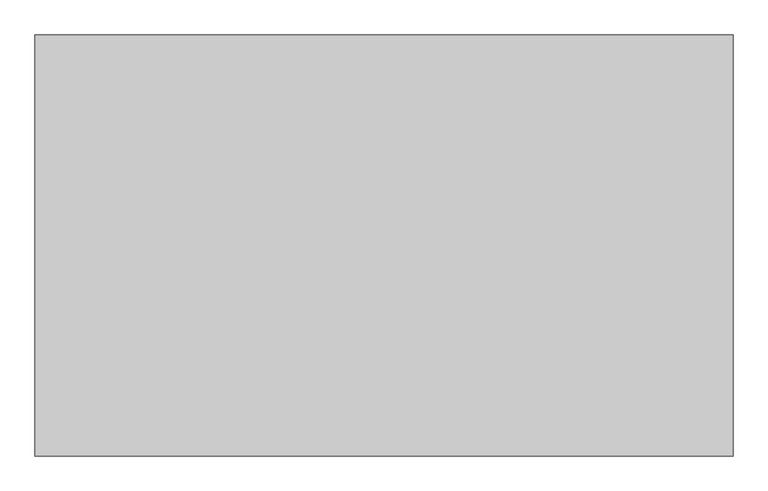
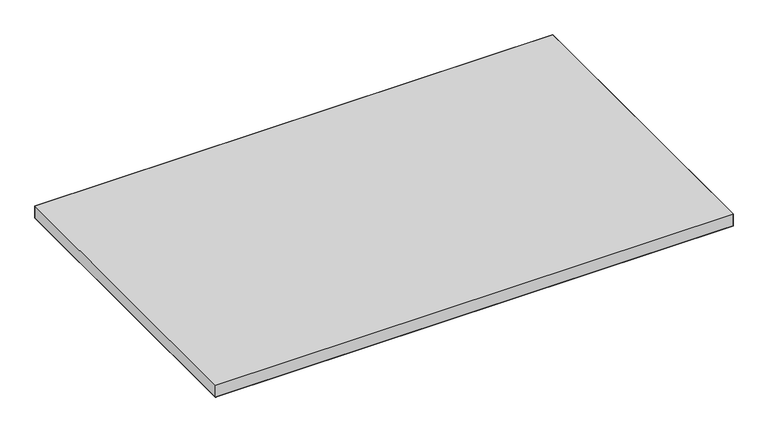
"""IFC4 building model written with IfcOpenShell, lengths in millimetres: furniture geometry."""

import ifcopenshell
import ifcopenshell.guid

model = None  # the IFC model being written
_history = None  # IfcOwnerHistory: only IFC2X3 demands one
_inside = {}  # id of a spatial element -> (the spatial element, [elements in it])
_under = {}  # id of a project, library or spatial element -> (it, [spatial elements below it])
_declared = {}  # id of a project -> (the project, [libraries it declares])
_typed = {}  # id of a type object -> (the type object, [elements of that type])
_made_of = {}  # id of a material, layer set ... -> (it, [elements and type objects made of it])


def new_model(schema):
    """Start an empty IFC model of exactly this schema.

    Asked for "IFC4X3", IfcOpenShell would pick the latest addendum, in which some entities
    have other attributes; the version numbers below select the first issue.
    IFC2X3 requires an IfcOwnerHistory on every rooted entity: one is made here for all.
    """
    global model, _history
    if schema == "IFC4X3":
        model = ifcopenshell.file(schema_version=(4, 3, 0, 0))
    else:
        model = ifcopenshell.file(schema=schema)
    _inside.clear()
    _under.clear()
    _declared.clear()
    _typed.clear()
    _made_of.clear()
    _history = None
    if model.schema == "IFC2X3":
        org = make("IfcOrganization", Name="unknown")
        user = make(
            "IfcPersonAndOrganization",
            ThePerson=make("IfcPerson", FamilyName="unknown"),
            TheOrganization=org,
        )
        app = make(
            "IfcApplication",
            ApplicationDeveloper=org,
            Version="unknown",
            ApplicationFullName="unknown",
            ApplicationIdentifier="unknown",
        )
        _history = make(
            "IfcOwnerHistory",
            OwningUser=user,
            OwningApplication=app,
            ChangeAction="ADDED",
            CreationDate=0,
        )
    return model


def make(cls, **values):
    """One entity of the class cls with the attributes given. An attribute that is None is left unset."""
    return model.create_entity(
        cls, **{name: value for name, value in values.items() if value is not None}
    )


def rooted(cls, **values):
    """An entity with a GlobalId (a new one), such as an element, a storey or a relation."""
    return make(cls, GlobalId=ifcopenshell.guid.new(), OwnerHistory=_history, **values)


def si_unit(unit_type, name, prefix=None):
    """IfcSIUnit, for example si_unit("LENGTHUNIT", "METRE", prefix="MILLI")."""
    return make("IfcSIUnit", UnitType=unit_type, Prefix=prefix, Name=name)


def assignment(units):
    """IfcUnitAssignment: the units of a project."""
    return None if units is None else make("IfcUnitAssignment", Units=units)


def point(xyz):
    """IfcCartesianPoint."""
    return None if xyz is None else make("IfcCartesianPoint", Coordinates=xyz)


def direction(xyz):
    """IfcDirection."""
    return None if xyz is None else make("IfcDirection", DirectionRatios=xyz)


def frame(location, z_axis=None, x_axis=None):
    """IfcAxis2Placement3D, a coordinate frame: its origin and axes. An axis left out is left unset."""
    return make(
        "IfcAxis2Placement3D",
        Location=point(location),
        Axis=direction(z_axis),
        RefDirection=direction(x_axis),
    )


def origin():
    """The frame at (0, 0, 0) with its axes left unset."""
    return frame((0.0, 0.0, 0.0))


def place(relative_to, where):
    """IfcLocalPlacement: puts the frame where relative to a parent placement (None: the world)."""
    return make(
        "IfcLocalPlacement", PlacementRelTo=relative_to, RelativePlacement=where
    )


def context(
    kind, dimensions, precision=None, world=None, true_north=None, identifier=None
):
    """IfcGeometricRepresentationContext, for example the 3D "Model" context."""
    return make(
        "IfcGeometricRepresentationContext",
        ContextIdentifier=identifier,
        ContextType=kind,
        CoordinateSpaceDimension=dimensions,
        Precision=precision,
        WorldCoordinateSystem=world,
        TrueNorth=true_north,
    )


def project(units=None, contexts=None):
    """IfcProject with its units and contexts."""
    return rooted(
        "IfcProject",
        Name="project",
        RepresentationContexts=contexts,
        UnitsInContext=assignment(units),
    )


def spatial(cls, under=None, at=None, **own):
    """A site, building, storey or space (cls), placed at a placement, below another one or the project."""
    s = rooted(cls, ObjectPlacement=at, **own)
    if under is not None:
        _under.setdefault(under.id(), (under, []))[1].append(s)
    return s


def point_list(points):
    """IfcCartesianPointList2D or 3D."""
    cls = (
        "IfcCartesianPointList2D" if len(points[0]) == 2 else "IfcCartesianPointList3D"
    )
    return make(cls, CoordList=points)


def triangles(points, corners, closed=None, point_numbers=None):
    """IfcTriangulatedFaceSet: each triangle names its three corners, points numbered from 1."""
    return make(
        "IfcTriangulatedFaceSet",
        Coordinates=point_list(points),
        Closed=closed,
        CoordIndex=corners,
        PnIndex=point_numbers,
    )


def shape(context_of_items, identifier, shape_type, items):
    """IfcShapeRepresentation: the items that make up one representation, for example the "Body"."""
    return make(
        "IfcShapeRepresentation",
        ContextOfItems=context_of_items,
        RepresentationIdentifier=identifier,
        RepresentationType=shape_type,
        Items=items,
    )


def source(mapping_origin, context_of_items, identifier, shape_type, items):
    """IfcRepresentationMap: a shape defined once, which mapped items show again and again."""
    return make(
        "IfcRepresentationMap",
        MappingOrigin=mapping_origin,
        MappedRepresentation=shape(context_of_items, identifier, shape_type, items),
    )


def transform(
    local_origin,
    x_axis=None,
    y_axis=None,
    z_axis=None,
    scale=None,
    scale2=None,
    scale3=None,
    uniform=True,
):
    """IfcCartesianTransformationOperator3D, or its non-uniform kind. x_axis, y_axis, z_axis: its Axis1, 2, 3."""
    if uniform:
        return make(
            "IfcCartesianTransformationOperator3D",
            Axis1=direction(x_axis),
            Axis2=direction(y_axis),
            LocalOrigin=point(local_origin),
            Scale=scale,
            Axis3=direction(z_axis),
        )
    return make(
        "IfcCartesianTransformationOperator3DnonUniform",
        Axis1=direction(x_axis),
        Axis2=direction(y_axis),
        LocalOrigin=point(local_origin),
        Scale=scale,
        Axis3=direction(z_axis),
        Scale2=scale2,
        Scale3=scale3,
    )


def mapped(mapping_source, mapping_target):
    """IfcMappedItem: shows the shape of a source again, moved by a transform."""
    return make(
        "IfcMappedItem", MappingSource=mapping_source, MappingTarget=mapping_target
    )


def made_of(thing, what):
    """Note that an element or type object is made of a material, layer set ...; save() writes the relation."""
    if what is not None:
        _made_of.setdefault(what.id(), (what, []))[1].append(thing)
    return thing


def element(
    cls,
    number,
    at=None,
    inside=None,
    cuts=None,
    type_object=None,
    material=None,
    context=None,
    identifier="Body",
    shape_type=None,
    held_by="IfcProductDefinitionShape",
    body=None,
    shapes=None,
    **own,
):
    """One element of the class cls, such as IfcWall. Its Tag is "e" and its number.

    at: its placement. inside: the storey or other place that contains it. cuts: it is an
    opening in that element (IfcRelVoidsElement). A single representation is given by context,
    identifier, shape_type and body (its items); several are given by shapes. held_by: the class
    of the entity that holds the representations. save() writes the other relations.
    """
    e = rooted(cls, Tag="e%d" % number, ObjectPlacement=at, **own)
    if body is not None:
        shapes = [shape(context, identifier, shape_type, body)]
    if shapes is not None:
        e.Representation = make(held_by, Representations=shapes)
    if inside is not None:
        _inside.setdefault(inside.id(), (inside, []))[1].append(e)
    if cuts is not None:
        rooted(
            "IfcRelVoidsElement", RelatingBuildingElement=cuts, RelatedOpeningElement=e
        )
    if type_object is not None:
        _typed.setdefault(type_object.id(), (type_object, []))[1].append(e)
    return made_of(e, material)


def aggregate(whole, parts):
    """IfcRelAggregates: a whole, such as a stair, and the parts it consists of."""
    return rooted("IfcRelAggregates", RelatingObject=whole, RelatedObjects=parts)


def save(model, path):
    """Write the relations noted so far, then the file.

    IfcRelAggregates (storeys below a building ...), IfcRelContainedInSpatialStructure (elements
    in a storey), IfcRelDefinesByType, IfcRelAssociatesMaterial and IfcRelDeclares: one each for
    every whole, place, type object, material and project.
    """
    for whole, parts in _under.values():
        aggregate(whole, parts)
    for where, things in _inside.values():
        rooted(
            "IfcRelContainedInSpatialStructure",
            RelatedElements=things,
            RelatingStructure=where,
        )
    for kind, things in _typed.values():
        rooted("IfcRelDefinesByType", RelatedObjects=things, RelatingType=kind)
    for what, things in _made_of.values():
        rooted("IfcRelAssociatesMaterial", RelatedObjects=things, RelatingMaterial=what)
    for by, libraries in _declared.values():
        rooted("IfcRelDeclares", RelatingContext=by, RelatedDefinitions=libraries)
    model.write(path)


def furniture_d5a7ff93(model_context):
    return source(origin(), model_context, "Body", "Tessellation", [
        triangles([(1217.6759651, -1.524, 725.4240349), (1.524, -1.524, 725.4240349), (1.524, -735.0759893, 725.4240349), (1217.6759651, -735.0759893, 725.4240349), (1217.6759651, -1.524, 695.5536198), (1217.6759651, -735.0759893, 695.5536198), (1.524, -735.0759893, 695.5536198), (1.524, -1.524, 695.5536198)], [[1, 2, 3], [1, 3, 4], [5, 6, 7], [5, 7, 8]], closed=False),
        triangles([(1.524, -1.524, 725.4240349), (1217.6759651, -1.524, 725.4240349), (1217.6759651, -1.524, 695.5536198), (1.524, -1.524, 695.5536198), (1.524, -735.0759893, 695.5536198), (1217.6759651, -735.0759893, 695.5536198), (1217.6759651, -735.0759893, 725.4240349), (1.524, -735.0759893, 725.4240349)], [[1, 2, 3], [1, 3, 4], [5, 6, 7], [5, 7, 8], [5, 8, 1], [5, 1, 4], [2, 7, 6], [2, 6, 3]], closed=False),
    ])


if __name__ == "__main__":
    model = new_model("IFC4")
    model_context = context("Model", 3, world=origin())
    ifc_project = project(units=[si_unit("LENGTHUNIT", "METRE", prefix="MILLI")], contexts=[model_context])
    site = spatial("IfcSite", under=ifc_project)
    building = spatial("IfcBuilding", under=site)
    placement = place(None, origin())
    furniture_shape = furniture_d5a7ff93(model_context)
    element("IfcFurniture", 1, at=placement, inside=building, context=model_context, shape_type="MappedRepresentation", body=[
        mapped(furniture_shape, transform((0.0, 0.0, 0.0), x_axis=(1.0, 0.0, 0.0), y_axis=(0.0, 1.0, 0.0), z_axis=(0.0, 0.0, 1.0))),
    ])
    save(model, "model.ifc")
